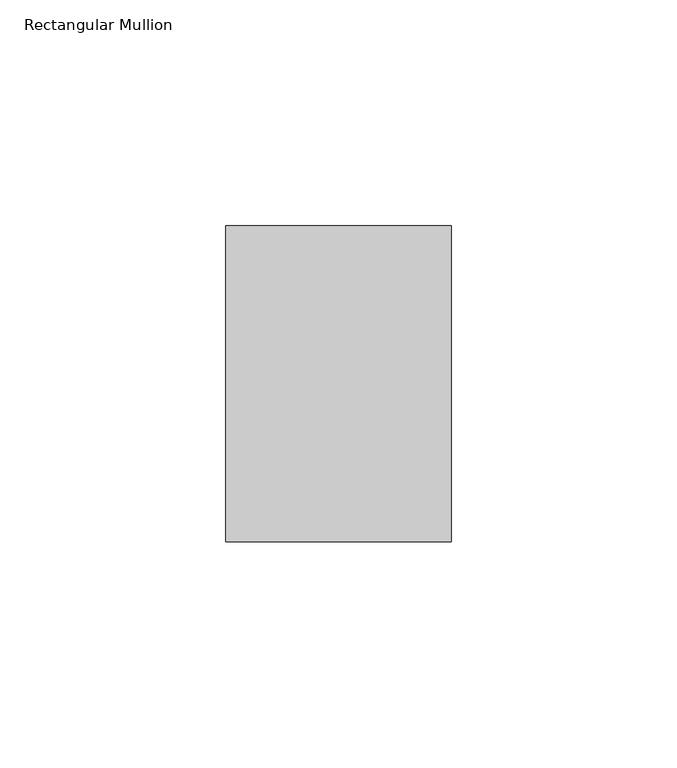
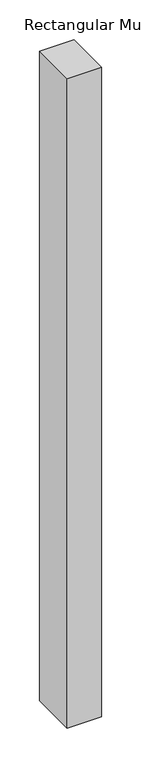
"""IFC4 building model written with IfcOpenShell, lengths in millimetres: member geometry, Rectangular Mullion."""

from ifc_helpers import new_model, si_unit, frame, origin, place, context, project, spatial, polyline, outline, extrude, source, transform, mapped, element, save


def rectangular_mullion_81ac25ed(model_context):
    return source(origin(), model_context, "Body", "SweptSolid", [
        extrude(outline(polyline([(25.0, 35.0), (25.0, -35.0), (-25.0, -35.0), (-25.0, 35.0), (25.0, 35.0)])), frame((0.0, 0.0, -1000.0), z_axis=(0.0, 0.0, 1.0), x_axis=(1.0, 0.0, 0.0)), (0.0, 0.0, 1.0), 1000.0),
    ])


if __name__ == "__main__":
    model = new_model("IFC4")
    model_context = context("Model", 3, world=origin())
    ifc_project = project(units=[si_unit("LENGTHUNIT", "METRE", prefix="MILLI")], contexts=[model_context])
    site = spatial("IfcSite", under=ifc_project)
    building = spatial("IfcBuilding", under=site)
    placement = place(None, origin())
    rectangular_mullion_shape = rectangular_mullion_81ac25ed(model_context)
    element("IfcMember", 1, ObjectType="Rectangular Mullion", at=placement, inside=building, context=model_context, shape_type="MappedRepresentation", body=[
        mapped(rectangular_mullion_shape, transform((0.0, 0.0, 0.0), x_axis=(1.0, 0.0, 0.0), y_axis=(0.0, 1.0, 0.0), z_axis=(0.0, 0.0, 1.0))),
    ])
    save(model, "model.ifc")
